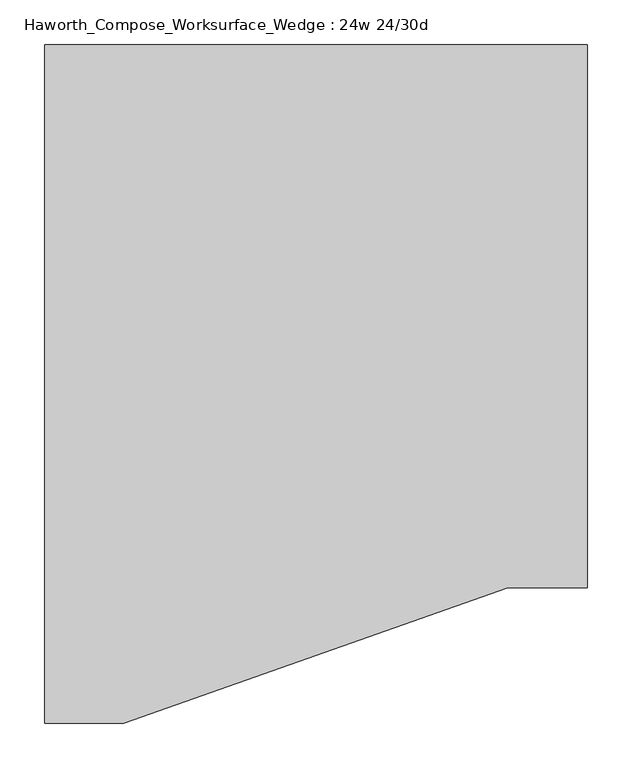
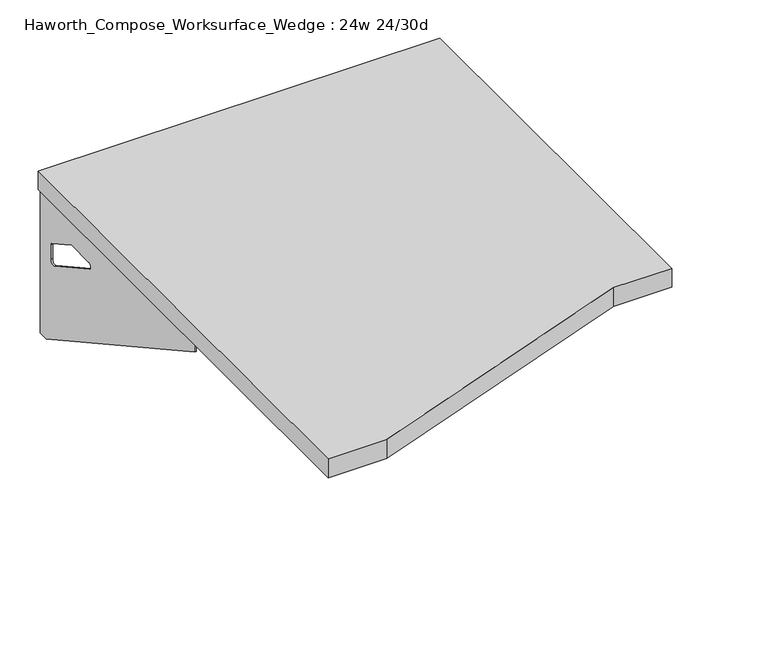
"""IFC4 building model written with IfcOpenShell, lengths in millimetres: furniture geometry, Haworth_Compose_Worksurface_Wedge : 24w 24/30d."""

from ifc_helpers import new_model, si_unit, frame, origin, place, context, project, spatial, polyline, circle_curve, outline, extrude, source, transform, mapped, element, save
from ifc_brep_helpers import plane_surface, revolved_surface, advanced_brep


def haworth_compose_worksurface_wedge_24w_24_30d_ddbcad9b(model_context):
    return source(origin(), model_context, "Body", "SolidModel", [
        advanced_brep(
        [(299.24375, 381.0, 475.45625), (299.24375, 365.125, 475.45625), (299.24375, -25.4, 691.7192568), (299.24375, -25.4, 704.05625), (299.24375, 365.125, 704.05625), (299.24375, 381.0, 704.05625), (299.24375, 297.690072, 665.95625), (299.24375, 254.0355284, 665.95625), (299.24375, 251.3564235, 656.3705539), (299.24375, 343.0776173, 605.5776439), (299.24375, 352.425, 611.1756969), (299.24375, 352.425, 634.6860246), (299.24375, 350.6730055, 637.5242776), (299.24375, 300.7663437, 665.1613425), (301.625, 381.0, 475.45625), (301.625, 381.0, 704.05625), (301.625, 365.125, 704.05625), (301.625, 365.125, 706.4375), (301.625, -25.4, 706.4375), (301.625, -25.4, 691.7192568), (301.625, 365.125, 475.45625), (301.625, 297.690072, 665.95625), (301.625, 300.7663437, 665.1613425), (301.625, 350.6730055, 637.5242776), (301.625, 352.425, 634.6860246), (301.625, 352.425, 611.1756969), (301.625, 343.0776173, 605.5776439), (301.625, 251.3564235, 656.3705539), (301.625, 254.0355284, 665.95625), (260.35, -25.4, 706.4375), (260.35, -25.4, 704.05625), (260.35, 365.125, 704.05625), (260.35, 365.125, 706.4375)],
        [
            (0, 1),
            (1, 2),
            (2, 3),
            (3, 4),
            (4, 5),
            (5, 0),
            (6, 7),
            (7, 8, circle_curve(frame((299.24375, 254.0355284, 660.7890106), z_axis=(1.0, 0.0, 0.0), x_axis=(0.0, -1.0, 0.0)), 5.1672394)),
            (8, 9),
            (9, 10, circle_curve(frame((299.24375, 346.075, 611.1756969), z_axis=(1.0, 0.0, 0.0), x_axis=(0.0, -1.0, 0.0)), 6.35)),
            (10, 11),
            (11, 12, circle_curve(frame((299.24375, 349.25, 634.6860246), z_axis=(1.0, 0.0, 0.0), x_axis=(0.0, -1.0, 0.0)), 3.175)),
            (12, 13),
            (13, 6, circle_curve(frame((299.24375, 297.690072, 659.60625), z_axis=(1.0, 0.0, 0.0), x_axis=(0.0, -1.0, 0.0)), 6.35)),
            (14, 15),
            (15, 16),
            (16, 17),
            (17, 18),
            (18, 19),
            (19, 20),
            (20, 14),
            (21, 22, circle_curve(frame((301.625, 297.690072, 659.60625), z_axis=(-1.0, 0.0, 0.0), x_axis=(0.0, -1.0, 0.0)), 6.35)),
            (22, 23),
            (23, 24, circle_curve(frame((301.625, 349.25, 634.6860246), z_axis=(-1.0, 0.0, 0.0), x_axis=(0.0, -1.0, 0.0)), 3.175)),
            (24, 25),
            (25, 26, circle_curve(frame((301.625, 346.075, 611.1756969), z_axis=(-1.0, 0.0, 0.0), x_axis=(0.0, -1.0, 0.0)), 6.35)),
            (26, 27),
            (27, 28, circle_curve(frame((301.625, 254.0355284, 660.7890106), z_axis=(-1.0, 0.0, 0.0), x_axis=(0.0, -1.0, 0.0)), 5.1672394)),
            (28, 21),
            (4, 16),
            (15, 5),
            (14, 0),
            (20, 1),
            (19, 2),
            (18, 29),
            (29, 30),
            (30, 3),
            (6, 21),
            (28, 7),
            (9, 26),
            (25, 10),
            (24, 11),
            (23, 12),
            (27, 8),
            (31, 4),
            (30, 31),
            (32, 29),
            (17, 32),
            (31, 32),
            (22, 13),
        ],
        [
            plane_surface(frame((299.24375, 381.0, 475.45625), z_axis=(-1.0, 0.0, 0.0), x_axis=(0.0, 1.0, 0.0))),
            plane_surface(frame((301.625, 381.0, 475.45625), z_axis=(1.0, 0.0, 0.0), x_axis=(0.0, -1.0, 0.0))),
            plane_surface(frame((301.625, -25.4, 704.05625), z_axis=(0.0, 0.0, 1.0), x_axis=(-1.0, 0.0, 0.0))),
            plane_surface(frame((301.625, 381.0, 704.05625), z_axis=(0.0, 1.0, 0.0), x_axis=(-1.0, 0.0, 0.0))),
            plane_surface(frame((301.625, 381.0, 475.45625), z_axis=(0.0, 0.0, -1.0), x_axis=(-1.0, 0.0, 0.0))),
            plane_surface(frame((301.625, 365.125, 475.45625), z_axis=(0.0, -0.48445223513455843, -0.8748177135112952), x_axis=(-1.0, 0.0, 0.0))),
            plane_surface(frame((301.625, -25.4, 691.7192568), z_axis=(0.0, -1.0, 0.0), x_axis=(-1.0, 0.0, 0.0))),
            plane_surface(frame((301.625, 297.690072, 665.95625), z_axis=(0.0, 0.0, -1.0), x_axis=(-1.0, 0.0, 0.0))),
            revolved_surface(polyline([(299.24375, 339.72499999999997, 611.1756969), (301.625, 339.72499999999997, 611.1756969)]), (301.625, 346.075, 611.1756969), (-1.0, 0.0, 0.0)),
            plane_surface(frame((301.625, 352.425, 611.1756969), z_axis=(0.0, -1.0, 0.0), x_axis=(-1.0, 0.0, 0.0))),
            revolved_surface(polyline([(299.24375, 346.075, 634.6860246), (301.625, 346.075, 634.6860246)]), (301.625, 349.25, 634.6860246), (-1.0, 0.0, 0.0)),
            revolved_surface(polyline([(299.24375, 248.868289, 660.7890106), (301.625, 248.868289, 660.7890106)]), (301.625, 254.0355284, 660.7890106), (-1.0, 0.0, 0.0)),
            plane_surface(frame((301.625, 365.125, 704.05625), z_axis=(0.0, 0.0, -1.0), x_axis=(-1.0, 0.0, 0.0))),
            plane_surface(frame((301.625, 365.125, 706.4375), z_axis=(0.0, 0.0, 1.0), x_axis=(1.0, 0.0, 0.0))),
            plane_surface(frame((260.35, 365.125, 706.4375), z_axis=(0.0, 1.0, 0.0), x_axis=(0.0, 0.0, -1.0))),
            plane_surface(frame((260.35, -25.4, 706.4375), z_axis=(-1.0, 0.0, 0.0), x_axis=(0.0, 0.0, -1.0))),
            plane_surface(frame((301.625, 251.3564235, 656.3705539), z_axis=(0.0, 0.4844522351345583, 0.8748177135112953), x_axis=(-1.0, 0.0, 0.0))),
            plane_surface(frame((301.625, 350.6730055, 637.5242776), z_axis=(0.0, -0.4844522351345582, -0.8748177135112953), x_axis=(-1.0, 0.0, 0.0))),
            revolved_surface(polyline([(299.24375, 291.34007199999996, 659.60625), (301.625, 291.34007199999996, 659.60625)]), (301.625, 297.690072, 659.60625), (-1.0, 0.0, 0.0)),
        ],
        [
            (0, [[1, 2, 3, 4, 5, 6], [7, 8, 9, 10, 11, 12, 13, 14]]),
            (1, [[15, 16, 17, 18, 19, 20, 21], [22, 23, 24, 25, 26, 27, 28, 29]]),
            (2, [[-5, 30, -16, 31]]),
            (3, [[-31, -15, 32, -6]]),
            (4, [[-32, -21, 33, -1]]),
            (5, [[-33, -20, 34, -2]]),
            (6, [[-34, -19, 35, 36, 37, -3]]),
            (7, [[38, -29, 39, -7]]),
            (8, [[40, -26, 41, -10]]),
            (9, [[-41, -25, 42, -11]]),
            (10, [[-42, -24, 43, -12]]),
            (11, [[-39, -28, 44, -8]]),
            (12, [[45, -4, -37, 46]]),
            (13, [[47, -35, -18, 48]]),
            (14, [[-17, -30, -45, 49, -48]]),
            (15, [[-36, -47, -49, -46]]),
            (16, [[-44, -27, -40, -9]]),
            (17, [[-43, -23, 50, -13]]),
            (18, [[-50, -22, -38, -14]]),
        ],
    ),
        advanced_brep(
        [(-299.24375, 381.0, 475.45625), (-299.24375, 381.0, 704.05625), (-299.24375, 365.125, 704.05625), (-299.24375, -25.4, 704.05625), (-299.24375, -25.4, 691.7192568), (-299.24375, 365.125, 475.45625), (-299.24375, 297.690072, 665.95625), (-299.24375, 300.7663437, 665.1613425), (-299.24375, 350.6730055, 637.5242776), (-299.24375, 352.425, 634.6860246), (-299.24375, 352.425, 611.1756969), (-299.24375, 343.0776173, 605.5776439), (-299.24375, 251.3564235, 656.3705539), (-299.24375, 254.0355284, 665.95625), (-301.625, 381.0, 475.45625), (-301.625, 365.125, 475.45625), (-301.625, -25.4, 691.7192568), (-301.625, -25.4, 706.4375), (-301.625, 365.125, 706.4375), (-301.625, 365.125, 704.05625), (-301.625, 381.0, 704.05625), (-301.625, 297.690072, 665.95625), (-301.625, 254.0355284, 665.95625), (-301.625, 251.3564235, 656.3705539), (-301.625, 343.0776173, 605.5776439), (-301.625, 352.425, 611.1756969), (-301.625, 352.425, 634.6860246), (-301.625, 350.6730055, 637.5242776), (-301.625, 300.7663437, 665.1613425), (-260.35, -25.4, 704.05625), (-260.35, -25.4, 706.4375), (-260.35, 365.125, 704.05625), (-260.35, 365.125, 706.4375)],
        [
            (0, 1),
            (1, 2),
            (2, 3),
            (3, 4),
            (4, 5),
            (5, 0),
            (6, 7, circle_curve(frame((-299.24375, 297.690072, 659.60625), z_axis=(-1.0, 0.0, 0.0), x_axis=(0.0, -1.0, 0.0)), 6.35)),
            (7, 8),
            (8, 9, circle_curve(frame((-299.24375, 349.25, 634.6860246), z_axis=(-1.0, 0.0, 0.0), x_axis=(0.0, -1.0, 0.0)), 3.175)),
            (9, 10),
            (10, 11, circle_curve(frame((-299.24375, 346.075, 611.1756969), z_axis=(-1.0, 0.0, 0.0), x_axis=(0.0, -1.0, 0.0)), 6.35)),
            (11, 12),
            (12, 13, circle_curve(frame((-299.24375, 254.0355284, 660.7890106), z_axis=(-1.0, 0.0, 0.0), x_axis=(0.0, -1.0, 0.0)), 5.1672394)),
            (13, 6),
            (14, 15),
            (15, 16),
            (16, 17),
            (17, 18),
            (18, 19),
            (19, 20),
            (20, 14),
            (21, 22),
            (22, 23, circle_curve(frame((-301.625, 254.0355284, 660.7890106), z_axis=(1.0, 0.0, 0.0), x_axis=(0.0, -1.0, 0.0)), 5.1672394)),
            (23, 24),
            (24, 25, circle_curve(frame((-301.625, 346.075, 611.1756969), z_axis=(1.0, 0.0, 0.0), x_axis=(0.0, -1.0, 0.0)), 6.35)),
            (25, 26),
            (26, 27, circle_curve(frame((-301.625, 349.25, 634.6860246), z_axis=(1.0, 0.0, 0.0), x_axis=(0.0, -1.0, 0.0)), 3.175)),
            (27, 28),
            (28, 21, circle_curve(frame((-301.625, 297.690072, 659.60625), z_axis=(1.0, 0.0, 0.0), x_axis=(0.0, -1.0, 0.0)), 6.35)),
            (1, 20),
            (19, 2),
            (0, 14),
            (5, 15),
            (4, 16),
            (3, 29),
            (29, 30),
            (30, 17),
            (13, 22),
            (21, 6),
            (10, 25),
            (24, 11),
            (9, 26),
            (8, 27),
            (12, 23),
            (31, 29),
            (2, 31),
            (32, 18),
            (30, 32),
            (32, 31),
            (7, 28),
        ],
        [
            plane_surface(frame((-299.24375, 381.0, 475.45625), z_axis=(1.0, 0.0, 0.0), x_axis=(0.0, 1.0, 0.0))),
            plane_surface(frame((-301.625, 381.0, 475.45625), z_axis=(-1.0, 0.0, 0.0), x_axis=(0.0, -1.0, 0.0))),
            plane_surface(frame((-301.625, -25.4, 704.05625), z_axis=(0.0, 0.0, 1.0), x_axis=(1.0, 0.0, 0.0))),
            plane_surface(frame((-301.625, 381.0, 704.05625), z_axis=(0.0, 1.0, 0.0), x_axis=(1.0, 0.0, 0.0))),
            plane_surface(frame((-301.625, 381.0, 475.45625), z_axis=(0.0, 0.0, -1.0), x_axis=(1.0, 0.0, 0.0))),
            plane_surface(frame((-301.625, 365.125, 475.45625), z_axis=(0.0, -0.48445223513455843, -0.8748177135112952), x_axis=(1.0, 0.0, 0.0))),
            plane_surface(frame((-301.625, -25.4, 691.7192568), z_axis=(0.0, -1.0, 0.0), x_axis=(1.0, 0.0, 0.0))),
            plane_surface(frame((-301.625, 297.690072, 665.95625), z_axis=(0.0, 0.0, -1.0), x_axis=(1.0, 0.0, 0.0))),
            revolved_surface(polyline([(-299.24375, 339.72499999999997, 611.1756969), (-301.625, 339.72499999999997, 611.1756969)]), (-301.625, 346.075, 611.1756969), (1.0, 0.0, 0.0)),
            plane_surface(frame((-301.625, 352.425, 611.1756969), z_axis=(0.0, -1.0, 0.0), x_axis=(1.0, 0.0, 0.0))),
            revolved_surface(polyline([(-299.24375, 346.075, 634.6860246), (-301.625, 346.075, 634.6860246)]), (-301.625, 349.25, 634.6860246), (1.0, 0.0, 0.0)),
            revolved_surface(polyline([(-299.24375, 248.868289, 660.7890106), (-301.625, 248.868289, 660.7890106)]), (-301.625, 254.0355284, 660.7890106), (1.0, 0.0, 0.0)),
            plane_surface(frame((-301.625, 365.125, 704.05625), z_axis=(0.0, 0.0, -1.0), x_axis=(1.0, 0.0, 0.0))),
            plane_surface(frame((-301.625, 365.125, 706.4375), z_axis=(0.0, 0.0, 1.0), x_axis=(-1.0, 0.0, 0.0))),
            plane_surface(frame((-260.35, 365.125, 706.4375), z_axis=(0.0, 1.0, 0.0), x_axis=(0.0, 0.0, -1.0))),
            plane_surface(frame((-260.35, -25.4, 706.4375), z_axis=(1.0, 0.0, 0.0), x_axis=(0.0, 0.0, -1.0))),
            plane_surface(frame((-301.625, 251.3564235, 656.3705539), z_axis=(0.0, 0.4844522351345583, 0.8748177135112953), x_axis=(1.0, 0.0, 0.0))),
            plane_surface(frame((-301.625, 350.6730055, 637.5242776), z_axis=(0.0, -0.4844522351345582, -0.8748177135112953), x_axis=(1.0, 0.0, 0.0))),
            revolved_surface(polyline([(-299.24375, 291.34007199999996, 659.60625), (-301.625, 291.34007199999996, 659.60625)]), (-301.625, 297.690072, 659.60625), (1.0, 0.0, 0.0)),
        ],
        [
            (0, [[1, 2, 3, 4, 5, 6], [7, 8, 9, 10, 11, 12, 13, 14]]),
            (1, [[15, 16, 17, 18, 19, 20, 21], [22, 23, 24, 25, 26, 27, 28, 29]]),
            (2, [[30, -20, 31, -2]]),
            (3, [[-1, 32, -21, -30]]),
            (4, [[-6, 33, -15, -32]]),
            (5, [[-5, 34, -16, -33]]),
            (6, [[-4, 35, 36, 37, -17, -34]]),
            (7, [[-14, 38, -22, 39]]),
            (8, [[-11, 40, -25, 41]]),
            (9, [[-10, 42, -26, -40]]),
            (10, [[-9, 43, -27, -42]]),
            (11, [[-13, 44, -23, -38]]),
            (12, [[45, -35, -3, 46]]),
            (13, [[47, -18, -37, 48]]),
            (14, [[-47, 49, -46, -31, -19]]),
            (15, [[-45, -49, -48, -36]]),
            (16, [[-12, -41, -24, -44]]),
            (17, [[-8, 50, -28, -43]]),
            (18, [[-7, -39, -29, -50]]),
        ],
    ),
        extrude(outline(polyline([(304.8, 381.0), (304.8, -228.6), (215.9, -228.6), (-215.9, -381.0), (-304.8, -381.0), (-304.8, 381.0), (304.8, 381.0)])), frame((0.0, 0.0, 706.4375), z_axis=(0.0, 0.0, 1.0), x_axis=(1.0, 0.0, 0.0)), (0.0, 0.0, 1.0), 30.1625),
    ])


if __name__ == "__main__":
    model = new_model("IFC4")
    model_context = context("Model", 3, world=origin())
    ifc_project = project(units=[si_unit("LENGTHUNIT", "METRE", prefix="MILLI")], contexts=[model_context])
    site = spatial("IfcSite", under=ifc_project)
    building = spatial("IfcBuilding", under=site)
    placement = place(None, origin())
    haworth_compose_worksurface_wedge_24w_24_30d_shape = haworth_compose_worksurface_wedge_24w_24_30d_ddbcad9b(model_context)
    element("IfcFurniture", 1, ObjectType="Haworth_Compose_Worksurface_Wedge : 24w 24/30d", at=placement, inside=building, context=model_context, shape_type="MappedRepresentation", body=[
        mapped(haworth_compose_worksurface_wedge_24w_24_30d_shape, transform((0.0, 0.0, 0.0), x_axis=(1.0, 0.0, 0.0), y_axis=(0.0, 1.0, 0.0), z_axis=(0.0, 0.0, 1.0))),
    ])
    save(model, "model.ifc")
